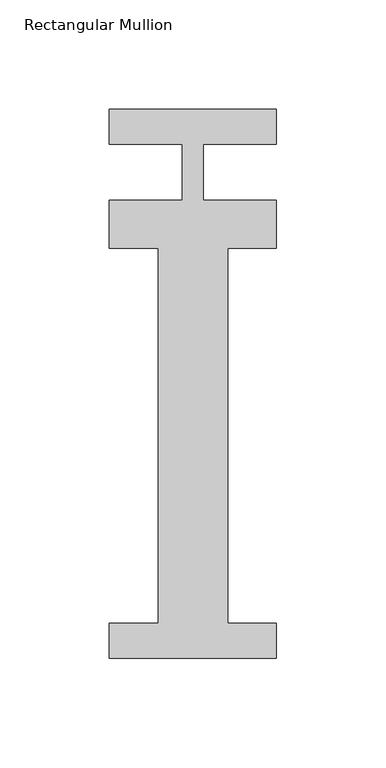
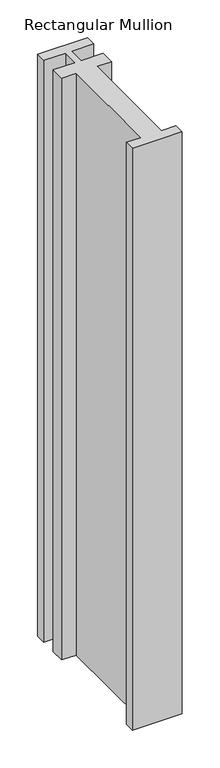
"""IFC4 building model written with IfcOpenShell, lengths in millimetres: member geometry, Rectangular Mullion."""

from ifc_helpers import new_model, si_unit, frame, origin, place, context, project, spatial, polyline, outline, extrude, source, transform, mapped, element, save


def rectangular_mullion_597f1a18(model_context):
    return source(origin(), model_context, "Body", "SweptSolid", [
        extrude(outline(polyline([(38.1, -221.996), (-38.1, -221.996), (-38.1, -206.121), (-15.875, -206.121), (-15.875, -34.671), (-38.1, -34.671), (-38.1, -12.7), (-4.7625, -12.7), (-4.7625, 12.7), (-38.1, 12.7), (-38.1, 28.7131807), (38.1, 28.7131807), (38.1, 12.7), (4.7625, 12.7), (4.7625, -12.7), (38.1, -12.7), (38.1, -34.671), (15.875, -34.671), (15.875, -206.121), (38.1, -206.121), (38.1, -221.996)])), frame((0.0, 0.0, -939.8), z_axis=(0.0, 0.0, 1.0), x_axis=(1.0, 0.0, 0.0)), (0.0, 0.0, 1.0), 939.8),
    ])


if __name__ == "__main__":
    model = new_model("IFC4")
    model_context = context("Model", 3, world=origin())
    ifc_project = project(units=[si_unit("LENGTHUNIT", "METRE", prefix="MILLI")], contexts=[model_context])
    site = spatial("IfcSite", under=ifc_project)
    building = spatial("IfcBuilding", under=site)
    placement = place(None, origin())
    rectangular_mullion_shape = rectangular_mullion_597f1a18(model_context)
    element("IfcMember", 1, ObjectType="Rectangular Mullion", at=placement, inside=building, context=model_context, shape_type="MappedRepresentation", body=[
        mapped(rectangular_mullion_shape, transform((0.0, 0.0, 0.0), x_axis=(1.0, 0.0, 0.0), y_axis=(0.0, 1.0, 0.0), z_axis=(0.0, 0.0, 1.0))),
    ])
    save(model, "model.ifc")
